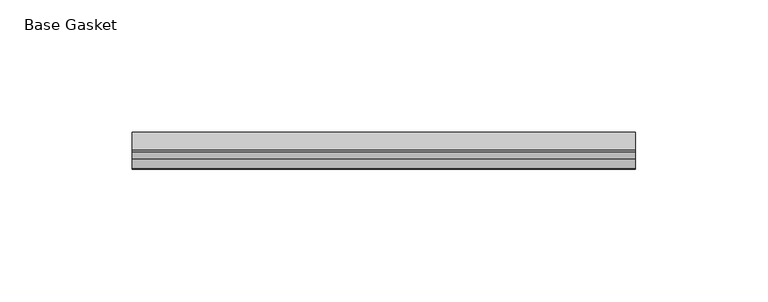
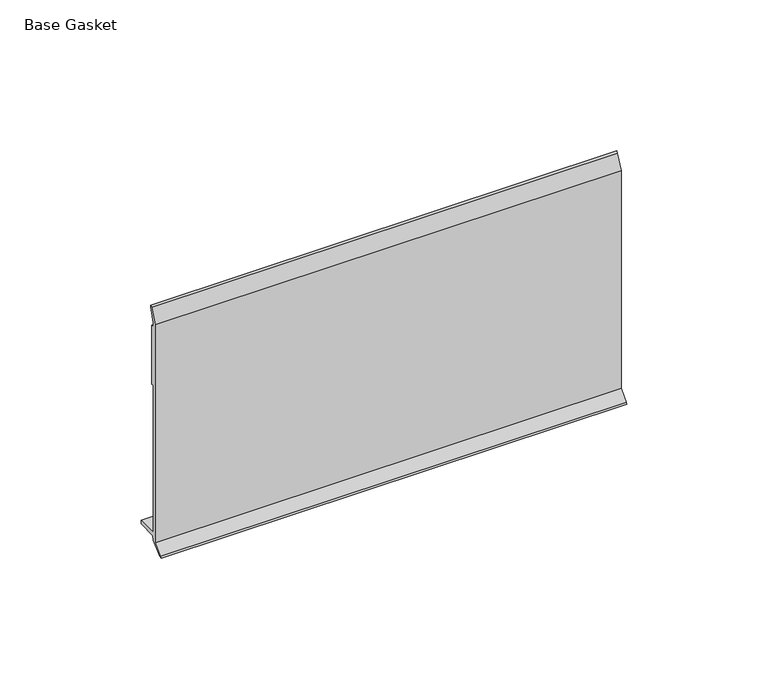
"""IFC4 building model written with IfcOpenShell, lengths in millimetres: furniture geometry, Base Gasket."""

from ifc_helpers import new_model, si_unit, frame, origin, place, context, project, spatial, polyline, outline, extrude, source, transform, mapped, element, save


def base_gasket_d66b7654(model_context):
    return source(origin(), model_context, "Body", "SweptSolid", [
        extrude(outline(polyline([(-3.7283812, 98.4568417), (-1.1891543, 104.587663), (-0.6755308, 105.2002997), (-0.6755308, 104.4162708), (-2.2043812, 98.4568417), (-2.2043812, 96.8693477), (-1.4106313, 96.8693477), (-1.4106313, 71.4693447), (-2.2043812, 71.4693447), (-2.2043812, 7.9398773), (6.2405171, 7.9398773), (6.2405171, 6.3818476), (-2.1334222, 6.3818476), (-2.2043812, 4.3498477), (-6.8281054, 0.3520979), (-7.8482342, 0.0), (-7.4222115, 0.6560174), (-3.7283812, 4.3498477), (-3.7283812, 98.4568417)])), frame((-1527.8982117, 0.0, 0.0), z_axis=(1.0, 0.0, 0.0), x_axis=(0.0, 1.0, 0.0)), (0.0, 0.0, 1.0), 190.5),
    ])


if __name__ == "__main__":
    model = new_model("IFC4")
    model_context = context("Model", 3, world=origin())
    ifc_project = project(units=[si_unit("LENGTHUNIT", "METRE", prefix="MILLI")], contexts=[model_context])
    site = spatial("IfcSite", under=ifc_project)
    building = spatial("IfcBuilding", under=site)
    placement = place(None, origin())
    base_gasket_shape = base_gasket_d66b7654(model_context)
    element("IfcFurniture", 1, ObjectType="Base Gasket", at=placement, inside=building, context=model_context, shape_type="MappedRepresentation", body=[
        mapped(base_gasket_shape, transform((0.0, 0.0, 0.0), x_axis=(1.0, 0.0, 0.0), y_axis=(0.0, 1.0, 0.0), z_axis=(0.0, 0.0, 1.0))),
    ])
    save(model, "model.ifc")
